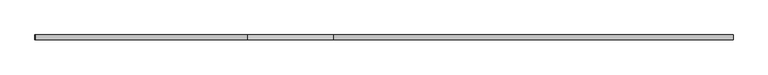
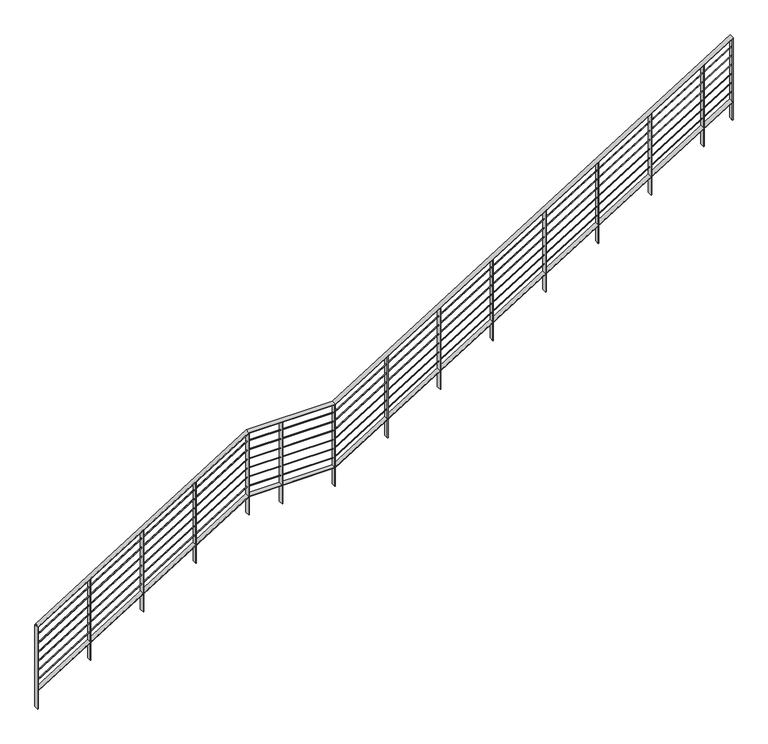
"""IFC4 building model written with IfcOpenShell, lengths in millimetres: railing geometry."""

from ifc_helpers import new_model, si_unit, frame, origin, place, context, project, spatial, polyline, outline, extrude, faceted_brep, source, transform, mapped, element, save


def railing_7c67cbb0(model_context):
    return source(origin(), model_context, "Body", "SolidModel", [
        faceted_brep([(-5543.7027032, -992.5640446, 1691.139907), (-5543.7027032, -941.7640446, 1691.139907), (-5543.7027032, -941.7640446, 1683.6571429), (-5543.7027032, -992.5640446, 1683.6571429), (-3310.3198457, -992.5640446, 3083.3785714), (-3310.3198457, -941.7640446, 3083.3785714), (-3308.5027032, -941.7640446, 3077.0285714), (-3308.5027032, -992.5640446, 3077.0285714), (-2395.9198457, -992.5640446, 3083.3785714), (-2395.9198457, -941.7640446, 3083.3785714), (-2394.1027032, -941.7640446, 3077.0285714), (-2394.1027032, -992.5640446, 3077.0285714), (1822.2972968, -992.5640446, 5712.9165304), (1822.2972968, -992.5640446, 5705.4337662), (1822.2972968, -941.7640446, 5705.4337662), (1822.2972968, -941.7640446, 5712.9165304)], [[[0, 1, 2, 3]], [[1, 0, 4, 5]], [[2, 1, 5, 6]], [[3, 2, 6, 7]], [[0, 3, 7, 4]], [[5, 4, 8, 9]], [[6, 5, 9, 10]], [[7, 6, 10, 11]], [[4, 7, 11, 8]], [[12, 13, 14, 15]], [[9, 8, 12, 15]], [[10, 9, 15, 14]], [[11, 10, 14, 13]], [[8, 11, 13, 12]]]),
        faceted_brep([(-5543.7027032, -970.3390446, 1585.7985249), (-5543.7027032, -963.9890446, 1585.7985249), (-5543.7027032, -963.9890446, 1578.3157608), (-5543.7027032, -970.3390446, 1578.3157608), (-3309.4112744, -970.3390446, 2978.6035714), (-3309.4112744, -963.9890446, 2978.6035714), (-3307.5941319, -963.9890446, 2972.2535714), (-3307.5941319, -970.3390446, 2972.2535714), (-2395.0112744, -970.3390446, 2978.6035714), (-2395.0112744, -963.9890446, 2978.6035714), (-2393.1941319, -963.9890446, 2972.2535714), (-2393.1941319, -970.3390446, 2972.2535714), (1822.2972968, -970.3390446, 5607.5751483), (1822.2972968, -970.3390446, 5600.0923842), (1822.2972968, -963.9890446, 5600.0923842), (1822.2972968, -963.9890446, 5607.5751483)], [[[0, 1, 2, 3]], [[1, 0, 4, 5]], [[2, 1, 5, 6]], [[3, 2, 6, 7]], [[0, 3, 7, 4]], [[5, 4, 8, 9]], [[6, 5, 9, 10]], [[7, 6, 10, 11]], [[4, 7, 11, 8]], [[12, 13, 14, 15]], [[9, 8, 12, 15]], [[10, 9, 15, 14]], [[11, 10, 14, 13]], [[8, 11, 13, 12]]]),
        faceted_brep([(-5543.7027032, -970.3390446, 1484.1985249), (-5543.7027032, -963.9890446, 1484.1985249), (-5543.7027032, -963.9890446, 1476.7157608), (-5543.7027032, -970.3390446, 1476.7157608), (-3309.4112744, -970.3390446, 2877.0035714), (-3309.4112744, -963.9890446, 2877.0035714), (-3307.5941319, -963.9890446, 2870.6535714), (-3307.5941319, -970.3390446, 2870.6535714), (-2395.0112744, -970.3390446, 2877.0035714), (-2395.0112744, -963.9890446, 2877.0035714), (-2393.1941319, -963.9890446, 2870.6535714), (-2393.1941319, -970.3390446, 2870.6535714), (1822.2972968, -970.3390446, 5505.9751483), (1822.2972968, -970.3390446, 5498.4923842), (1822.2972968, -963.9890446, 5498.4923842), (1822.2972968, -963.9890446, 5505.9751483)], [[[0, 1, 2, 3]], [[1, 0, 4, 5]], [[2, 1, 5, 6]], [[3, 2, 6, 7]], [[0, 3, 7, 4]], [[5, 4, 8, 9]], [[6, 5, 9, 10]], [[7, 6, 10, 11]], [[4, 7, 11, 8]], [[12, 13, 14, 15]], [[9, 8, 12, 15]], [[10, 9, 15, 14]], [[11, 10, 14, 13]], [[8, 11, 13, 12]]]),
        faceted_brep([(-5543.7027032, -970.3390446, 1382.5985249), (-5543.7027032, -963.9890446, 1382.5985249), (-5543.7027032, -963.9890446, 1375.1157608), (-5543.7027032, -970.3390446, 1375.1157608), (-3309.4112744, -970.3390446, 2775.4035714), (-3309.4112744, -963.9890446, 2775.4035714), (-3307.5941319, -963.9890446, 2769.0535714), (-3307.5941319, -970.3390446, 2769.0535714), (-2395.0112744, -970.3390446, 2775.4035714), (-2395.0112744, -963.9890446, 2775.4035714), (-2393.1941319, -963.9890446, 2769.0535714), (-2393.1941319, -970.3390446, 2769.0535714), (1822.2972968, -970.3390446, 5404.3751483), (1822.2972968, -970.3390446, 5396.8923842), (1822.2972968, -963.9890446, 5396.8923842), (1822.2972968, -963.9890446, 5404.3751483)], [[[0, 1, 2, 3]], [[1, 0, 4, 5]], [[2, 1, 5, 6]], [[3, 2, 6, 7]], [[0, 3, 7, 4]], [[5, 4, 8, 9]], [[6, 5, 9, 10]], [[7, 6, 10, 11]], [[4, 7, 11, 8]], [[12, 13, 14, 15]], [[9, 8, 12, 15]], [[10, 9, 15, 14]], [[11, 10, 14, 13]], [[8, 11, 13, 12]]]),
        faceted_brep([(-5543.7027032, -970.3390446, 1280.9985249), (-5543.7027032, -963.9890446, 1280.9985249), (-5543.7027032, -963.9890446, 1273.5157608), (-5543.7027032, -970.3390446, 1273.5157608), (-3309.4112744, -970.3390446, 2673.8035714), (-3309.4112744, -963.9890446, 2673.8035714), (-3307.5941319, -963.9890446, 2667.4535714), (-3307.5941319, -970.3390446, 2667.4535714), (-2395.0112744, -970.3390446, 2673.8035714), (-2395.0112744, -963.9890446, 2673.8035714), (-2393.1941319, -963.9890446, 2667.4535714), (-2393.1941319, -970.3390446, 2667.4535714), (1822.2972968, -970.3390446, 5302.7751483), (1822.2972968, -970.3390446, 5295.2923842), (1822.2972968, -963.9890446, 5295.2923842), (1822.2972968, -963.9890446, 5302.7751483)], [[[0, 1, 2, 3]], [[1, 0, 4, 5]], [[2, 1, 5, 6]], [[3, 2, 6, 7]], [[0, 3, 7, 4]], [[5, 4, 8, 9]], [[6, 5, 9, 10]], [[7, 6, 10, 11]], [[4, 7, 11, 8]], [[12, 13, 14, 15]], [[9, 8, 12, 15]], [[10, 9, 15, 14]], [[11, 10, 14, 13]], [[8, 11, 13, 12]]]),
        faceted_brep([(-5543.7027032, -970.3390446, 1179.3985249), (-5543.7027032, -963.9890446, 1179.3985249), (-5543.7027032, -963.9890446, 1171.9157608), (-5543.7027032, -970.3390446, 1171.9157608), (-3309.4112744, -970.3390446, 2572.2035714), (-3309.4112744, -963.9890446, 2572.2035714), (-3307.5941319, -963.9890446, 2565.8535714), (-3307.5941319, -970.3390446, 2565.8535714), (-2395.0112744, -970.3390446, 2572.2035714), (-2395.0112744, -963.9890446, 2572.2035714), (-2393.1941319, -963.9890446, 2565.8535714), (-2393.1941319, -970.3390446, 2565.8535714), (1822.2972968, -970.3390446, 5201.1751483), (1822.2972968, -970.3390446, 5193.6923842), (1822.2972968, -963.9890446, 5193.6923842), (1822.2972968, -963.9890446, 5201.1751483)], [[[0, 1, 2, 3]], [[1, 0, 4, 5]], [[2, 1, 5, 6]], [[3, 2, 6, 7]], [[0, 3, 7, 4]], [[5, 4, 8, 9]], [[6, 5, 9, 10]], [[7, 6, 10, 11]], [[4, 7, 11, 8]], [[12, 13, 14, 15]], [[9, 8, 12, 15]], [[10, 9, 15, 14]], [[11, 10, 14, 13]], [[8, 11, 13, 12]]]),
        faceted_brep([(-5543.7027032, -970.3390446, 1077.7985249), (-5543.7027032, -963.9890446, 1077.7985249), (-5543.7027032, -963.9890446, 1070.3157608), (-5543.7027032, -970.3390446, 1070.3157608), (-3309.4112744, -970.3390446, 2470.6035714), (-3309.4112744, -963.9890446, 2470.6035714), (-3307.5941319, -963.9890446, 2464.2535714), (-3307.5941319, -970.3390446, 2464.2535714), (-2395.0112744, -970.3390446, 2470.6035714), (-2395.0112744, -963.9890446, 2470.6035714), (-2393.1941319, -963.9890446, 2464.2535714), (-2393.1941319, -970.3390446, 2464.2535714), (1822.2972968, -970.3390446, 5099.5751483), (1822.2972968, -970.3390446, 5092.0923842), (1822.2972968, -963.9890446, 5092.0923842), (1822.2972968, -963.9890446, 5099.5751483)], [[[0, 1, 2, 3]], [[1, 0, 4, 5]], [[2, 1, 5, 6]], [[3, 2, 6, 7]], [[0, 3, 7, 4]], [[5, 4, 8, 9]], [[6, 5, 9, 10]], [[7, 6, 10, 11]], [[4, 7, 11, 8]], [[12, 13, 14, 15]], [[9, 8, 12, 15]], [[10, 9, 15, 14]], [[11, 10, 14, 13]], [[8, 11, 13, 12]]]),
        faceted_brep([(-5543.7027032, -992.5640446, 979.939907), (-5543.7027032, -941.7640446, 979.939907), (-5543.7027032, -941.7640446, 972.4571429), (-5543.7027032, -992.5640446, 972.4571429), (-3310.3198457, -992.5640446, 2372.1785714), (-3310.3198457, -941.7640446, 2372.1785714), (-3308.5027032, -941.7640446, 2365.8285714), (-3308.5027032, -992.5640446, 2365.8285714), (-2395.9198457, -992.5640446, 2372.1785714), (-2395.9198457, -941.7640446, 2372.1785714), (-2394.1027032, -941.7640446, 2365.8285714), (-2394.1027032, -992.5640446, 2365.8285714), (1822.2972968, -992.5640446, 5001.7165304), (1822.2972968, -992.5640446, 4994.2337662), (1822.2972968, -941.7640446, 4994.2337662), (1822.2972968, -941.7640446, 5001.7165304)], [[[0, 1, 2, 3]], [[1, 0, 4, 5]], [[2, 1, 5, 6]], [[3, 2, 6, 7]], [[0, 3, 7, 4]], [[5, 4, 8, 9]], [[6, 5, 9, 10]], [[7, 6, 10, 11]], [[4, 7, 11, 8]], [[12, 13, 14, 15]], [[9, 8, 12, 15]], [[10, 9, 15, 14]], [[11, 10, 14, 13]], [[8, 11, 13, 12]]]),
        extrude(outline(polyline([(952.3472968, -992.5640446), (952.3472968, -941.7640446), (958.6972968, -941.7640446), (958.6972968, -992.5640446), (952.3472968, -992.5640446)])), frame((0.0, 0.0, 4252.6857143), z_axis=(0.0, 0.0, 1.0), x_axis=(1.0, 0.0, 0.0)), (0.0, 0.0, 1.0), 914.4),
        extrude(outline(polyline([(393.5472968, -992.5640446), (393.5472968, -941.7640446), (399.8972968, -941.7640446), (399.8972968, -992.5640446), (393.5472968, -992.5640446)])), frame((0.0, 0.0, 3904.3428571), z_axis=(0.0, 0.0, 1.0), x_axis=(1.0, 0.0, 0.0)), (0.0, 0.0, 1.0), 914.4),
        extrude(outline(polyline([(-165.2527032, -992.5640446), (-165.2527032, -941.7640446), (-158.9027032, -941.7640446), (-158.9027032, -992.5640446), (-165.2527032, -992.5640446)])), frame((0.0, 0.0, 3556.0), z_axis=(0.0, 0.0, 1.0), x_axis=(1.0, 0.0, 0.0)), (0.0, 0.0, 1.0), 914.4),
        extrude(outline(polyline([(-724.0527032, -992.5640446), (-724.0527032, -941.7640446), (-717.7027032, -941.7640446), (-717.7027032, -992.5640446), (-724.0527032, -992.5640446)])), frame((0.0, 0.0, 3207.6571429), z_axis=(0.0, 0.0, 1.0), x_axis=(1.0, 0.0, 0.0)), (0.0, 0.0, 1.0), 914.4),
        extrude(outline(polyline([(-1282.8527032, -992.5640446), (-1282.8527032, -941.7640446), (-1276.5027032, -941.7640446), (-1276.5027032, -992.5640446), (-1282.8527032, -992.5640446)])), frame((0.0, 0.0, 2859.3142857), z_axis=(0.0, 0.0, 1.0), x_axis=(1.0, 0.0, 0.0)), (0.0, 0.0, 1.0), 914.4),
        extrude(outline(polyline([(-1841.6527032, -992.5640446), (-1841.6527032, -941.7640446), (-1835.3027032, -941.7640446), (-1835.3027032, -992.5640446), (-1841.6527032, -992.5640446)])), frame((0.0, 0.0, 2510.9714286), z_axis=(0.0, 0.0, 1.0), x_axis=(1.0, 0.0, 0.0)), (0.0, 0.0, 1.0), 914.4),
        extrude(outline(polyline([(-2959.2527032, -992.5640446), (-2959.2527032, -941.7640446), (-2952.9027032, -941.7640446), (-2952.9027032, -992.5640446), (-2959.2527032, -992.5640446)])), frame((0.0, 0.0, 2162.6285714), z_axis=(0.0, 0.0, 1.0), x_axis=(1.0, 0.0, 0.0)), (0.0, 0.0, 1.0), 914.4),
        extrude(outline(polyline([(-3873.6527032, -992.5640446), (-3873.6527032, -941.7640446), (-3867.3027032, -941.7640446), (-3867.3027032, -992.5640446), (-3873.6527032, -992.5640446)])), frame((0.0, 0.0, 1814.2857143), z_axis=(0.0, 0.0, 1.0), x_axis=(1.0, 0.0, 0.0)), (0.0, 0.0, 1.0), 914.4),
        extrude(outline(polyline([(-4432.4527032, -992.5640446), (-4432.4527032, -941.7640446), (-4426.1027032, -941.7640446), (-4426.1027032, -992.5640446), (-4432.4527032, -992.5640446)])), frame((0.0, 0.0, 1465.9428571), z_axis=(0.0, 0.0, 1.0), x_axis=(1.0, 0.0, 0.0)), (0.0, 0.0, 1.0), 914.4),
        extrude(outline(polyline([(-4991.2527032, -992.5640446), (-4991.2527032, -941.7640446), (-4984.9027032, -941.7640446), (-4984.9027032, -992.5640446), (-4991.2527032, -992.5640446)])), frame((0.0, 0.0, 1117.6), z_axis=(0.0, 0.0, 1.0), x_axis=(1.0, 0.0, 0.0)), (0.0, 0.0, 1.0), 914.4),
        extrude(outline(polyline([(1511.1472968, -992.5640446), (1511.1472968, -941.7640446), (1517.4972968, -941.7640446), (1517.4972968, -992.5640446), (1511.1472968, -992.5640446)])), frame((0.0, 0.0, 4601.0285714), z_axis=(0.0, 0.0, 1.0), x_axis=(1.0, 0.0, 0.0)), (0.0, 0.0, 1.0), 914.4),
        extrude(outline(polyline([(-2400.4527032, -992.5640446), (-2400.4527032, -941.7640446), (-2394.1027032, -941.7640446), (-2394.1027032, -992.5640446), (-2400.4527032, -992.5640446)])), frame((0.0, 0.0, 2162.6285714), z_axis=(0.0, 0.0, 1.0), x_axis=(1.0, 0.0, 0.0)), (0.0, 0.0, 1.0), 914.4),
        extrude(outline(polyline([(-3314.8527032, -992.5640446), (-3314.8527032, -941.7640446), (-3308.5027032, -941.7640446), (-3308.5027032, -992.5640446), (-3314.8527032, -992.5640446)])), frame((0.0, 0.0, 2162.6285714), z_axis=(0.0, 0.0, 1.0), x_axis=(1.0, 0.0, 0.0)), (0.0, 0.0, 1.0), 914.4),
        extrude(outline(polyline([(1815.9472968, -992.5640446), (1815.9472968, -941.7640446), (1822.2972968, -941.7640446), (1822.2972968, -992.5640446), (1815.9472968, -992.5640446)])), frame((0.0, 0.0, 4791.0337662), z_axis=(0.0, 0.0, 1.0), x_axis=(1.0, 0.0, 0.0)), (0.0, 0.0, 1.0), 914.4),
        extrude(outline(polyline([(-5550.0527032, -992.5640446), (-5550.0527032, -941.7640446), (-5543.7027032, -941.7640446), (-5543.7027032, -992.5640446), (-5550.0527032, -992.5640446)])), frame((0.0, 0.0, 769.2571429), z_axis=(0.0, 0.0, 1.0), x_axis=(1.0, 0.0, 0.0)), (0.0, 0.0, 1.0), 914.4),
    ])


if __name__ == "__main__":
    model = new_model("IFC4")
    model_context = context("Model", 3, world=origin())
    ifc_project = project(units=[si_unit("LENGTHUNIT", "METRE", prefix="MILLI")], contexts=[model_context])
    site = spatial("IfcSite", under=ifc_project)
    building = spatial("IfcBuilding", under=site)
    placement = place(None, origin())
    railing_shape = railing_7c67cbb0(model_context)
    element("IfcRailing", 1, at=placement, inside=building, context=model_context, shape_type="MappedRepresentation", body=[
        mapped(railing_shape, transform((0.0, 0.0, 0.0), x_axis=(1.0, 0.0, 0.0), y_axis=(0.0, 1.0, 0.0), z_axis=(0.0, 0.0, 1.0))),
    ])
    save(model, "model.ifc")
